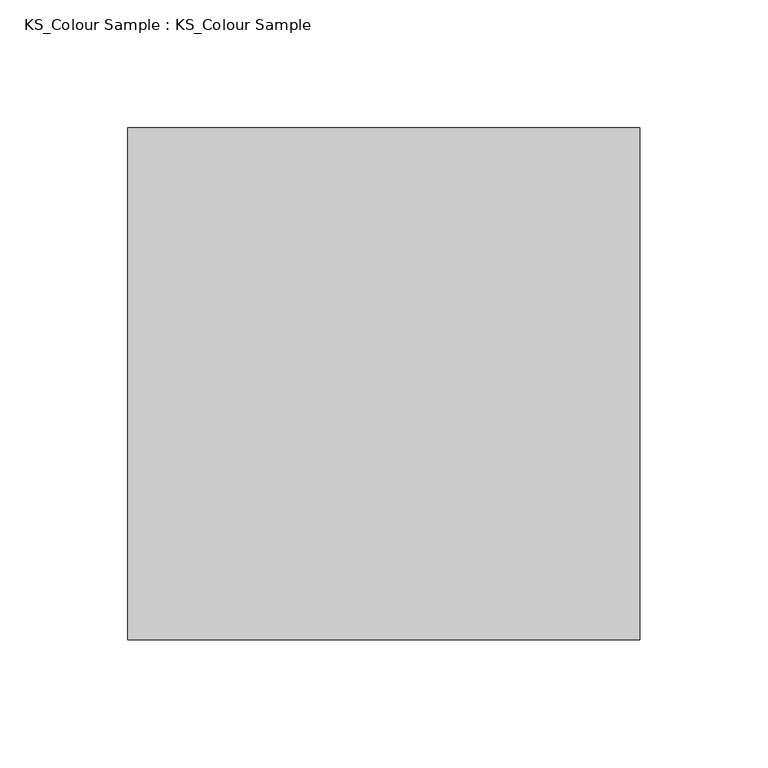
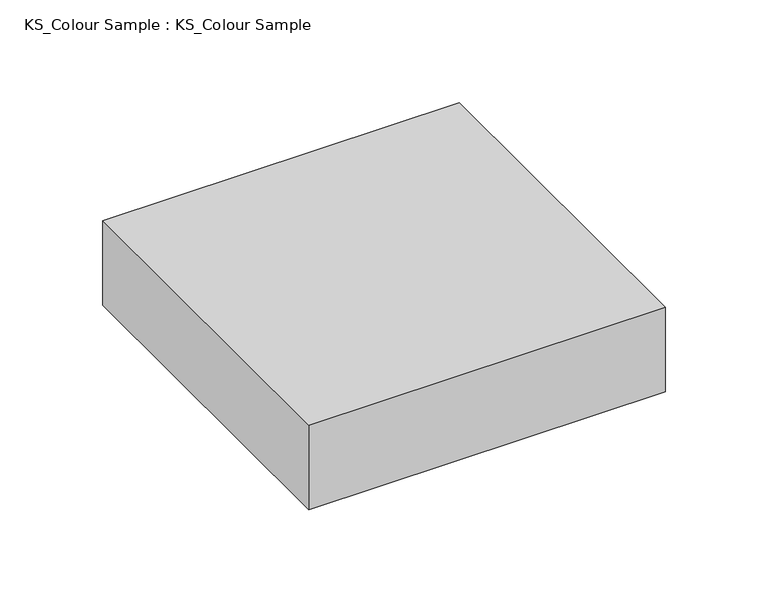
"""IFC4 building model written with IfcOpenShell, lengths in millimetres: proxy geometry, KS_Colour Sample : KS_Colour Sample."""

from ifc_helpers import new_model, si_unit, origin, origin_with_axes, place, context, project, spatial, polyline, outline, extrude, source, transform, mapped, element, save


def ks_colour_sample_ks_colour_sample_8606e91c(model_context):
    return source(origin(), model_context, "Body", "SweptSolid", [
        extrude(outline(polyline([(100.0, 100.0), (100.0, -100.0), (-100.0, -100.0), (-100.0, 100.0), (100.0, 100.0)])), origin_with_axes(), (0.0, 0.0, 1.0), 50.0),
    ])


if __name__ == "__main__":
    model = new_model("IFC4")
    model_context = context("Model", 3, world=origin())
    ifc_project = project(units=[si_unit("LENGTHUNIT", "METRE", prefix="MILLI")], contexts=[model_context])
    site = spatial("IfcSite", under=ifc_project)
    building = spatial("IfcBuilding", under=site)
    placement = place(None, origin())
    ks_colour_sample_ks_colour_sample_shape = ks_colour_sample_ks_colour_sample_8606e91c(model_context)
    element("IfcBuildingElementProxy", 1, Name="KS_Colour Sample : KS_Colour Sample", ObjectType="KS_Colour Sample : KS_Colour Sample", at=placement, inside=building, context=model_context, shape_type="MappedRepresentation", body=[
        mapped(ks_colour_sample_ks_colour_sample_shape, transform((0.0, 0.0, 0.0), x_axis=(1.0, 0.0, 0.0), y_axis=(0.0, 1.0, 0.0), z_axis=(0.0, 0.0, 1.0))),
    ])
    save(model, "model.ifc")
